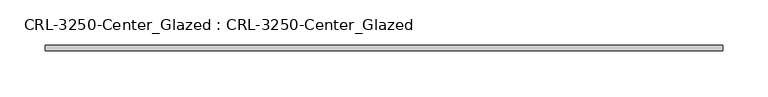
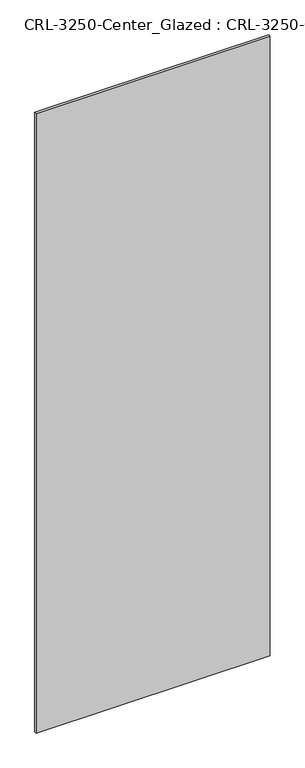
"""IFC4 building model written with IfcOpenShell, lengths in millimetres: plate geometry, CRL-3250-Center_Glazed : CRL-3250-Center_Glazed."""

from ifc_helpers import new_model, si_unit, origin, origin_with_axes, place, context, project, spatial, polyline, outline, extrude, source, transform, mapped, element, save


def crl_3250_center_glazed_crl_3250_center_glazed_078ac17c(model_context):
    return source(origin(), model_context, "Body", "SweptSolid", [
        extrude(outline(polyline([(374.6500023, -3.1749999), (-374.6500023, -3.1749999), (-374.6500023, 3.1749999), (374.6500023, 3.1749999), (374.6500023, -3.1749999)])), origin_with_axes(), (0.0, 0.0, 1.0), 2095.5000045),
    ])


if __name__ == "__main__":
    model = new_model("IFC4")
    model_context = context("Model", 3, world=origin())
    ifc_project = project(units=[si_unit("LENGTHUNIT", "METRE", prefix="MILLI")], contexts=[model_context])
    site = spatial("IfcSite", under=ifc_project)
    building = spatial("IfcBuilding", under=site)
    placement = place(None, origin())
    crl_3250_center_glazed_crl_3250_center_glazed_shape = crl_3250_center_glazed_crl_3250_center_glazed_078ac17c(model_context)
    element("IfcPlate", 1, ObjectType="CRL-3250-Center_Glazed : CRL-3250-Center_Glazed", at=placement, inside=building, context=model_context, shape_type="MappedRepresentation", body=[
        mapped(crl_3250_center_glazed_crl_3250_center_glazed_shape, transform((0.0, 0.0, 0.0), x_axis=(1.0, 0.0, 0.0), y_axis=(0.0, 1.0, 0.0), z_axis=(0.0, 0.0, 1.0))),
    ])
    save(model, "model.ifc")
